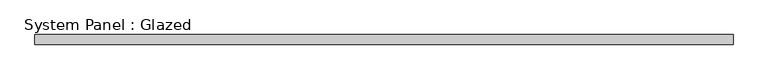
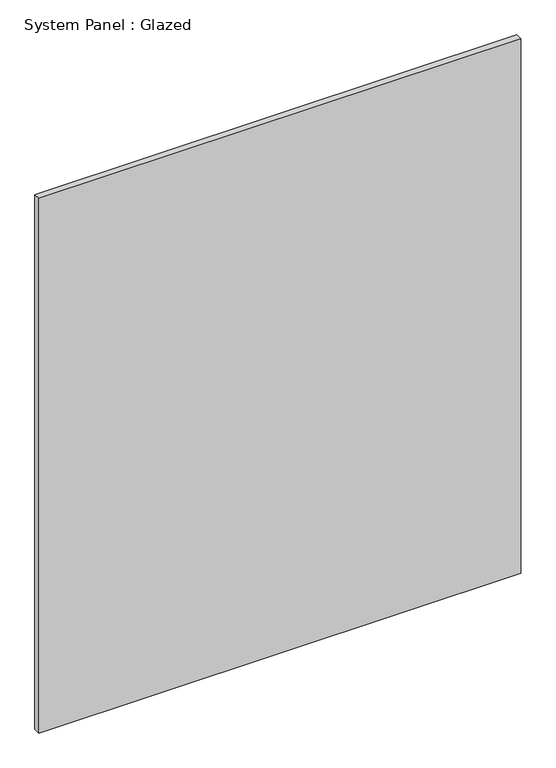
"""IFC4 building model written with IfcOpenShell, lengths in millimetres: plate geometry, System Panel : Glazed."""

from ifc_helpers import new_model, si_unit, origin, origin_with_axes, place, context, project, spatial, polyline, outline, extrude, source, transform, mapped, element, save


def system_panel_glazed_cee5d8a4(model_context):
    return source(origin(), model_context, "Body", "SweptSolid", [
        extrude(outline(polyline([(882.65, 19.05), (-882.65, 19.05), (-882.65, 44.45), (882.65, 44.45), (882.65, 19.05)])), origin_with_axes(), (0.0, 0.0, 1.0), 2070.1),
    ])


if __name__ == "__main__":
    model = new_model("IFC4")
    model_context = context("Model", 3, world=origin())
    ifc_project = project(units=[si_unit("LENGTHUNIT", "METRE", prefix="MILLI")], contexts=[model_context])
    site = spatial("IfcSite", under=ifc_project)
    building = spatial("IfcBuilding", under=site)
    placement = place(None, origin())
    system_panel_glazed_shape = system_panel_glazed_cee5d8a4(model_context)
    element("IfcPlate", 1, ObjectType="System Panel : Glazed", at=placement, inside=building, context=model_context, shape_type="MappedRepresentation", body=[
        mapped(system_panel_glazed_shape, transform((0.0, 0.0, 0.0), x_axis=(1.0, 0.0, 0.0), y_axis=(0.0, 1.0, 0.0), z_axis=(0.0, 0.0, 1.0))),
    ])
    save(model, "model.ifc")
